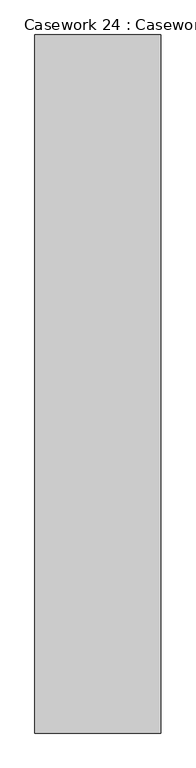
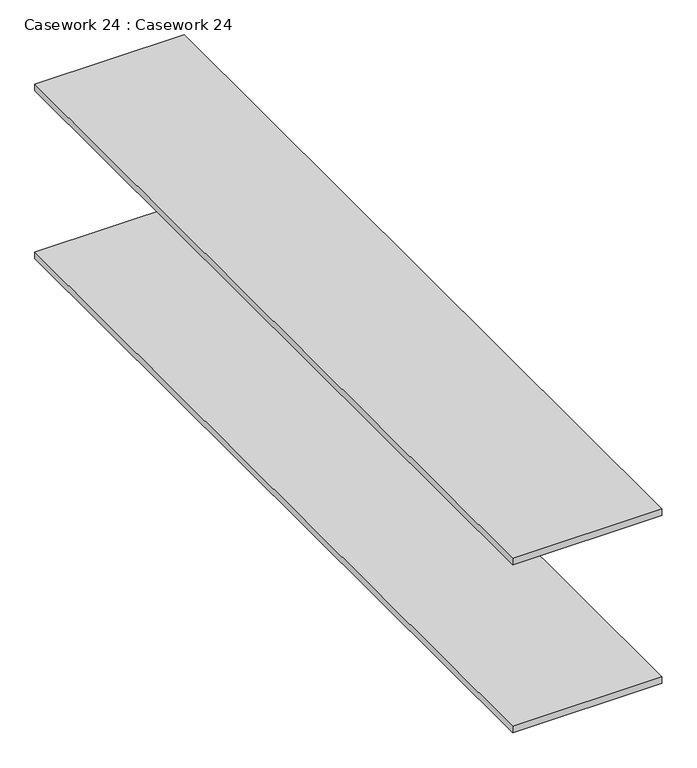
"""IFC4 building model written with IfcOpenShell, lengths in millimetres: furniture geometry, Casework 24 : Casework 24."""

from ifc_helpers import new_model, si_unit, frame, origin, place, context, project, spatial, polyline, outline, extrude, source, transform, mapped, element, save


def casework_24_casework_24_07cc01c8(model_context):
    return source(origin(), model_context, "Body", "SweptSolid", [
        extrude(outline(polyline([(-25847.5103773, 10629.7617139), (-25521.0446723, 10629.7617139), (-25521.0446723, 8818.2408488), (-25847.5103773, 8818.2408488), (-25847.5103773, 10629.7617139)])), frame((0.0, 0.0, -4791.3556311), z_axis=(0.0, 0.0, 1.0), x_axis=(1.0, 0.0, 0.0)), (0.0, 0.0, 1.0), 14.4601082),
        extrude(outline(polyline([(-25847.5103773, 10629.7617139), (-25521.0446723, 10629.7617139), (-25521.0446723, 8818.2408488), (-25847.5103773, 8818.2408488), (-25847.5103773, 10629.7617139)])), frame((0.0, 0.0, -5180.2931311), z_axis=(0.0, 0.0, 1.0), x_axis=(1.0, 0.0, 0.0)), (0.0, 0.0, 1.0), 14.4601082),
    ])


if __name__ == "__main__":
    model = new_model("IFC4")
    model_context = context("Model", 3, world=origin())
    ifc_project = project(units=[si_unit("LENGTHUNIT", "METRE", prefix="MILLI")], contexts=[model_context])
    site = spatial("IfcSite", under=ifc_project)
    building = spatial("IfcBuilding", under=site)
    placement = place(None, origin())
    casework_24_casework_24_shape = casework_24_casework_24_07cc01c8(model_context)
    element("IfcFurniture", 1, ObjectType="Casework 24 : Casework 24", at=placement, inside=building, context=model_context, shape_type="MappedRepresentation", body=[
        mapped(casework_24_casework_24_shape, transform((0.0, 0.0, 0.0), x_axis=(1.0, 0.0, 0.0), y_axis=(0.0, 1.0, 0.0), z_axis=(0.0, 0.0, 1.0))),
    ])
    save(model, "model.ifc")
